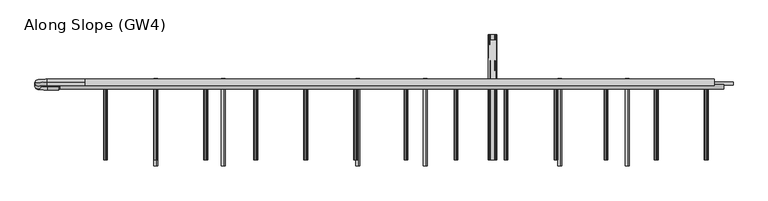
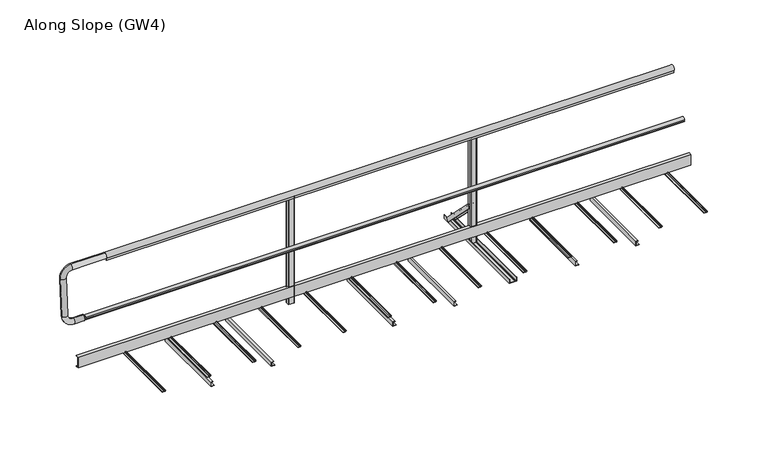
"""IFC4 building model written with IfcOpenShell, lengths in millimetres: proxy geometry, Along Slope (GW4)."""

from ifc_helpers import new_model, si_unit, point, frame, frame_2d, origin, place, context, project, spatial, polyline, circle_curve, ellipse_curve, trimmed, segment, composite_curve, outline, extrude, source, transform, mapped, element, save
from ifc_brep_helpers import plane_surface, cylinder_surface, revolved_surface, extruded_surface, advanced_brep


def along_slope_gw4_6340df57(model_context):
    return source(origin(), model_context, "Body", "SolidModel", [
        extrude(outline(polyline([(622.0, 63.0), (597.0, 63.0), (597.0, 163.0), (622.0, 163.0), (622.0, 160.0), (600.0, 160.0), (600.0, 66.0), (622.0, 66.0), (622.0, 63.0)])), frame((0.0, 0.0, 0.0), z_axis=(1.0, 0.0, 0.0), x_axis=(0.0, 1.0, 0.0)), (0.0, 0.0, 1.0), 5430.0),
        extrude(outline(polyline([(2e-07, 4598.7777778), (2.0000002, 4598.7777778), (2.0000002, 4570.7777778), (38.0000002, 4570.7777778), (38.0000002, 4588.7777778), (40.0000002, 4588.7777778), (40.0000002, 4568.7777778), (2e-07, 4568.7777778), (2e-07, 4598.7777778)])), frame((0.0, -50.0, 0.0), z_axis=(0.0, 1.0, 0.0), x_axis=(0.0, 0.0, 1.0)), (0.0, 0.0, 1.0), 700.0),
        extrude(outline(polyline([(2e-07, 4060.5555556), (2.0000002, 4060.5555556), (2.0000002, 4032.5555556), (38.0000002, 4032.5555556), (38.0000002, 4050.5555556), (40.0000002, 4050.5555556), (40.0000002, 4030.5555556), (2e-07, 4030.5555556), (2e-07, 4060.5555556)])), frame((0.0, -50.0, 0.0), z_axis=(0.0, 1.0, 0.0), x_axis=(0.0, 0.0, 1.0)), (0.0, 0.0, 1.0), 700.0),
        extrude(outline(composite_curve([segment(trimmed(circle_curve(frame_2d((62.9683907, 5223.75)), 6.25), [point((67.8614305, 5219.8614704))], [point((60.2402402, 5218.1268608))], False, "CARTESIAN"), True, "CONTINUOUS"), segment(trimmed(circle_curve(frame_2d((59.3468026, 5216.2853478)), 2.0468026), [point((60.2402402, 5218.1268608))], [point((57.3, 5216.2853478))], True, "CARTESIAN"), True, "CONTINUOUS"), segment(polyline([(57.3, 5216.2853478), (57.3, 5201.5)]), True, "CONTINUOUS"), segment(trimmed(circle_curve(frame_2d((55.8, 5201.5)), 1.5), [point((57.3, 5201.5))], [point((55.8, 5200.0))], False, "CARTESIAN"), True, "CONTINUOUS"), segment(polyline([(55.8, 5200.0), (55.0, 5200.0), (55.0, 5221.9783691)]), True, "CONTINUOUS"), segment(trimmed(circle_curve(frame_2d((64.084859, 5221.098018)), 9.1274138), [point((55.0, 5221.9783691))], [point((60.5433217, 5229.510342))], False, "CARTESIAN"), True, "CONTINUOUS"), segment(trimmed(circle_curve(frame_2d((62.9683907, 5223.75)), 6.25), [point((60.5433217, 5229.510342))], [point((67.8614305, 5227.6385296))], False, "CARTESIAN"), True, "CONTINUOUS"), segment(trimmed(circle_curve(frame_2d((67.2653483, 5227.1648193)), 0.7613904), [point((67.8614305, 5227.6385296))], [point((66.7916381, 5226.5687372))], False, "CARTESIAN"), True, "CONTINUOUS"), segment(trimmed(circle_curve(frame_2d((62.9683907, 5223.75)), 4.75), [point((66.7916381, 5226.5687372))], [point((66.7916381, 5220.9312628))], True, "CARTESIAN"), True, "CONTINUOUS"), segment(trimmed(circle_curve(frame_2d((67.2653483, 5220.3351807)), 0.7613904), [point((66.7916381, 5220.9312628))], [point((67.8614305, 5219.8614704))], False, "CARTESIAN"), True, "CONTINUOUS")], self_intersect=False)), frame((0.0, 0.0, 0.0), z_axis=(0.0, 1.0, 0.0), x_axis=(0.0, 0.0, 1.0)), (0.0, 0.0, 1.0), 600.0),
        extrude(outline(composite_curve([segment(trimmed(circle_curve(frame_2d((62.9683907, 4823.75)), 6.25), [point((67.8614305, 4819.8614704))], [point((60.2402402, 4818.1268608))], False, "CARTESIAN"), True, "CONTINUOUS"), segment(trimmed(circle_curve(frame_2d((59.3468026, 4816.2853478)), 2.0468026), [point((60.2402402, 4818.1268608))], [point((57.3, 4816.2853478))], True, "CARTESIAN"), True, "CONTINUOUS"), segment(polyline([(57.3, 4816.2853478), (57.3, 4801.5)]), True, "CONTINUOUS"), segment(trimmed(circle_curve(frame_2d((55.8, 4801.5)), 1.5), [point((57.3, 4801.5))], [point((55.8, 4800.0))], False, "CARTESIAN"), True, "CONTINUOUS"), segment(polyline([(55.8, 4800.0), (55.0, 4800.0), (55.0, 4821.9783691)]), True, "CONTINUOUS"), segment(trimmed(circle_curve(frame_2d((64.084859, 4821.098018)), 9.1274138), [point((55.0, 4821.9783691))], [point((60.5433217, 4829.510342))], False, "CARTESIAN"), True, "CONTINUOUS"), segment(trimmed(circle_curve(frame_2d((62.9683907, 4823.75)), 6.25), [point((60.5433217, 4829.510342))], [point((67.8614305, 4827.6385296))], False, "CARTESIAN"), True, "CONTINUOUS"), segment(trimmed(circle_curve(frame_2d((67.2653483, 4827.1648193)), 0.7613904), [point((67.8614305, 4827.6385296))], [point((66.7916381, 4826.5687372))], False, "CARTESIAN"), True, "CONTINUOUS"), segment(trimmed(circle_curve(frame_2d((62.9683907, 4823.75)), 4.75), [point((66.7916381, 4826.5687372))], [point((66.7916381, 4820.9312628))], True, "CARTESIAN"), True, "CONTINUOUS"), segment(trimmed(circle_curve(frame_2d((67.2653483, 4820.3351807)), 0.7613904), [point((66.7916381, 4820.9312628))], [point((67.8614305, 4819.8614704))], False, "CARTESIAN"), True, "CONTINUOUS")], self_intersect=False)), frame((0.0, 0.0, 0.0), z_axis=(0.0, 1.0, 0.0), x_axis=(0.0, 0.0, 1.0)), (0.0, 0.0, 1.0), 600.0),
        extrude(outline(composite_curve([segment(trimmed(circle_curve(frame_2d((62.9683907, 4423.75)), 6.25), [point((67.8614305, 4419.8614704))], [point((60.2402402, 4418.1268608))], False, "CARTESIAN"), True, "CONTINUOUS"), segment(trimmed(circle_curve(frame_2d((59.3468026, 4416.2853478)), 2.0468026), [point((60.2402402, 4418.1268608))], [point((57.3, 4416.2853478))], True, "CARTESIAN"), True, "CONTINUOUS"), segment(polyline([(57.3, 4416.2853478), (57.3, 4401.5)]), True, "CONTINUOUS"), segment(trimmed(circle_curve(frame_2d((55.8, 4401.5)), 1.5), [point((57.3, 4401.5))], [point((55.8, 4400.0))], False, "CARTESIAN"), True, "CONTINUOUS"), segment(polyline([(55.8, 4400.0), (55.0, 4400.0), (55.0, 4421.9783691)]), True, "CONTINUOUS"), segment(trimmed(circle_curve(frame_2d((64.084859, 4421.098018)), 9.1274138), [point((55.0, 4421.9783691))], [point((60.5433217, 4429.510342))], False, "CARTESIAN"), True, "CONTINUOUS"), segment(trimmed(circle_curve(frame_2d((62.9683907, 4423.75)), 6.25), [point((60.5433217, 4429.510342))], [point((67.8614305, 4427.6385296))], False, "CARTESIAN"), True, "CONTINUOUS"), segment(trimmed(circle_curve(frame_2d((67.2653483, 4427.1648193)), 0.7613904), [point((67.8614305, 4427.6385296))], [point((66.7916381, 4426.5687372))], False, "CARTESIAN"), True, "CONTINUOUS"), segment(trimmed(circle_curve(frame_2d((62.9683907, 4423.75)), 4.75), [point((66.7916381, 4426.5687372))], [point((66.7916381, 4420.9312628))], True, "CARTESIAN"), True, "CONTINUOUS"), segment(trimmed(circle_curve(frame_2d((67.2653483, 4420.3351807)), 0.7613904), [point((66.7916381, 4420.9312628))], [point((67.8614305, 4419.8614704))], False, "CARTESIAN"), True, "CONTINUOUS")], self_intersect=False)), frame((0.0, 0.0, 0.0), z_axis=(0.0, 1.0, 0.0), x_axis=(0.0, 0.0, 1.0)), (0.0, 0.0, 1.0), 600.0),
        extrude(outline(composite_curve([segment(trimmed(circle_curve(frame_2d((62.9683907, 4023.75)), 6.25), [point((67.8614305, 4019.8614704))], [point((60.2402402, 4018.1268608))], False, "CARTESIAN"), True, "CONTINUOUS"), segment(trimmed(circle_curve(frame_2d((59.3468026, 4016.2853478)), 2.0468026), [point((60.2402402, 4018.1268608))], [point((57.3, 4016.2853478))], True, "CARTESIAN"), True, "CONTINUOUS"), segment(polyline([(57.3, 4016.2853478), (57.3, 4001.5)]), True, "CONTINUOUS"), segment(trimmed(circle_curve(frame_2d((55.8, 4001.5)), 1.5), [point((57.3, 4001.5))], [point((55.8, 4000.0))], False, "CARTESIAN"), True, "CONTINUOUS"), segment(polyline([(55.8, 4000.0), (55.0, 4000.0), (55.0, 4021.9783691)]), True, "CONTINUOUS"), segment(trimmed(circle_curve(frame_2d((64.084859, 4021.098018)), 9.1274138), [point((55.0, 4021.9783691))], [point((60.5433217, 4029.510342))], False, "CARTESIAN"), True, "CONTINUOUS"), segment(trimmed(circle_curve(frame_2d((62.9683907, 4023.75)), 6.25), [point((60.5433217, 4029.510342))], [point((67.8614305, 4027.6385296))], False, "CARTESIAN"), True, "CONTINUOUS"), segment(trimmed(circle_curve(frame_2d((67.2653483, 4027.1648193)), 0.7613904), [point((67.8614305, 4027.6385296))], [point((66.7916381, 4026.5687372))], False, "CARTESIAN"), True, "CONTINUOUS"), segment(trimmed(circle_curve(frame_2d((62.9683907, 4023.75)), 4.75), [point((66.7916381, 4026.5687372))], [point((66.7916381, 4020.9312628))], True, "CARTESIAN"), True, "CONTINUOUS"), segment(trimmed(circle_curve(frame_2d((67.2653483, 4020.3351807)), 0.7613904), [point((66.7916381, 4020.9312628))], [point((67.8614305, 4019.8614704))], False, "CARTESIAN"), True, "CONTINUOUS")], self_intersect=False)), frame((0.0, 0.0, 0.0), z_axis=(0.0, 1.0, 0.0), x_axis=(0.0, 0.0, 1.0)), (0.0, 0.0, 1.0), 600.0),
        extrude(outline(composite_curve([segment(trimmed(circle_curve(frame_2d((62.9683907, 3623.75)), 6.25), [point((67.8614305, 3619.8614704))], [point((60.2402402, 3618.1268608))], False, "CARTESIAN"), True, "CONTINUOUS"), segment(trimmed(circle_curve(frame_2d((59.3468026, 3616.2853478)), 2.0468026), [point((60.2402402, 3618.1268608))], [point((57.3, 3616.2853478))], True, "CARTESIAN"), True, "CONTINUOUS"), segment(polyline([(57.3, 3616.2853478), (57.3, 3601.5)]), True, "CONTINUOUS"), segment(trimmed(circle_curve(frame_2d((55.8, 3601.5)), 1.5), [point((57.3, 3601.5))], [point((55.8, 3600.0))], False, "CARTESIAN"), True, "CONTINUOUS"), segment(polyline([(55.8, 3600.0), (55.0, 3600.0), (55.0, 3621.9783691)]), True, "CONTINUOUS"), segment(trimmed(circle_curve(frame_2d((64.084859, 3621.098018)), 9.1274138), [point((55.0, 3621.9783691))], [point((60.5433217, 3629.510342))], False, "CARTESIAN"), True, "CONTINUOUS"), segment(trimmed(circle_curve(frame_2d((62.9683907, 3623.75)), 6.25), [point((60.5433217, 3629.510342))], [point((67.8614305, 3627.6385296))], False, "CARTESIAN"), True, "CONTINUOUS"), segment(trimmed(circle_curve(frame_2d((67.2653483, 3627.1648193)), 0.7613904), [point((67.8614305, 3627.6385296))], [point((66.7916381, 3626.5687372))], False, "CARTESIAN"), True, "CONTINUOUS"), segment(trimmed(circle_curve(frame_2d((62.9683907, 3623.75)), 4.75), [point((66.7916381, 3626.5687372))], [point((66.7916381, 3620.9312628))], True, "CARTESIAN"), True, "CONTINUOUS"), segment(trimmed(circle_curve(frame_2d((67.2653483, 3620.3351807)), 0.7613904), [point((66.7916381, 3620.9312628))], [point((67.8614305, 3619.8614704))], False, "CARTESIAN"), True, "CONTINUOUS")], self_intersect=False)), frame((0.0, 0.0, 0.0), z_axis=(0.0, 1.0, 0.0), x_axis=(0.0, 0.0, 1.0)), (0.0, 0.0, 1.0), 600.0),
        extrude(outline(composite_curve([segment(trimmed(circle_curve(frame_2d((62.9683907, 3223.75)), 6.25), [point((67.8614305, 3219.8614704))], [point((60.2402402, 3218.1268608))], False, "CARTESIAN"), True, "CONTINUOUS"), segment(trimmed(circle_curve(frame_2d((59.3468026, 3216.2853478)), 2.0468026), [point((60.2402402, 3218.1268608))], [point((57.3, 3216.2853478))], True, "CARTESIAN"), True, "CONTINUOUS"), segment(polyline([(57.3, 3216.2853478), (57.3, 3201.5)]), True, "CONTINUOUS"), segment(trimmed(circle_curve(frame_2d((55.8, 3201.5)), 1.5), [point((57.3, 3201.5))], [point((55.8, 3200.0))], False, "CARTESIAN"), True, "CONTINUOUS"), segment(polyline([(55.8, 3200.0), (55.0, 3200.0), (55.0, 3221.9783691)]), True, "CONTINUOUS"), segment(trimmed(circle_curve(frame_2d((64.084859, 3221.098018)), 9.1274138), [point((55.0, 3221.9783691))], [point((60.5433217, 3229.510342))], False, "CARTESIAN"), True, "CONTINUOUS"), segment(trimmed(circle_curve(frame_2d((62.9683907, 3223.75)), 6.25), [point((60.5433217, 3229.510342))], [point((67.8614305, 3227.6385296))], False, "CARTESIAN"), True, "CONTINUOUS"), segment(trimmed(circle_curve(frame_2d((67.2653483, 3227.1648193)), 0.7613904), [point((67.8614305, 3227.6385296))], [point((66.7916381, 3226.5687372))], False, "CARTESIAN"), True, "CONTINUOUS"), segment(trimmed(circle_curve(frame_2d((62.9683907, 3223.75)), 4.75), [point((66.7916381, 3226.5687372))], [point((66.7916381, 3220.9312628))], True, "CARTESIAN"), True, "CONTINUOUS"), segment(trimmed(circle_curve(frame_2d((67.2653483, 3220.3351807)), 0.7613904), [point((66.7916381, 3220.9312628))], [point((67.8614305, 3219.8614704))], False, "CARTESIAN"), True, "CONTINUOUS")], self_intersect=False)), frame((0.0, 0.0, 0.0), z_axis=(0.0, 1.0, 0.0), x_axis=(0.0, 0.0, 1.0)), (0.0, 0.0, 1.0), 600.0),
        extrude(outline(composite_curve([segment(trimmed(circle_curve(frame_2d((62.9683907, 2823.75)), 6.25), [point((67.8614305, 2819.8614704))], [point((60.2402402, 2818.1268608))], False, "CARTESIAN"), True, "CONTINUOUS"), segment(trimmed(circle_curve(frame_2d((59.3468026, 2816.2853478)), 2.0468026), [point((60.2402402, 2818.1268608))], [point((57.3, 2816.2853478))], True, "CARTESIAN"), True, "CONTINUOUS"), segment(polyline([(57.3, 2816.2853478), (57.3, 2801.5)]), True, "CONTINUOUS"), segment(trimmed(circle_curve(frame_2d((55.8, 2801.5)), 1.5), [point((57.3, 2801.5))], [point((55.8, 2800.0))], False, "CARTESIAN"), True, "CONTINUOUS"), segment(polyline([(55.8, 2800.0), (55.0, 2800.0), (55.0, 2821.9783691)]), True, "CONTINUOUS"), segment(trimmed(circle_curve(frame_2d((64.084859, 2821.098018)), 9.1274138), [point((55.0, 2821.9783691))], [point((60.5433217, 2829.510342))], False, "CARTESIAN"), True, "CONTINUOUS"), segment(trimmed(circle_curve(frame_2d((62.9683907, 2823.75)), 6.25), [point((60.5433217, 2829.510342))], [point((67.8614305, 2827.6385296))], False, "CARTESIAN"), True, "CONTINUOUS"), segment(trimmed(circle_curve(frame_2d((67.2653483, 2827.1648193)), 0.7613904), [point((67.8614305, 2827.6385296))], [point((66.7916381, 2826.5687372))], False, "CARTESIAN"), True, "CONTINUOUS"), segment(trimmed(circle_curve(frame_2d((62.9683907, 2823.75)), 4.75), [point((66.7916381, 2826.5687372))], [point((66.7916381, 2820.9312628))], True, "CARTESIAN"), True, "CONTINUOUS"), segment(trimmed(circle_curve(frame_2d((67.2653483, 2820.3351807)), 0.7613904), [point((66.7916381, 2820.9312628))], [point((67.8614305, 2819.8614704))], False, "CARTESIAN"), True, "CONTINUOUS")], self_intersect=False)), frame((0.0, 0.0, 0.0), z_axis=(0.0, 1.0, 0.0), x_axis=(0.0, 0.0, 1.0)), (0.0, 0.0, 1.0), 600.0),
        extrude(outline(composite_curve([segment(trimmed(circle_curve(frame_2d((62.9683907, 2423.75)), 6.25), [point((67.8614305, 2419.8614704))], [point((60.2402402, 2418.1268608))], False, "CARTESIAN"), True, "CONTINUOUS"), segment(trimmed(circle_curve(frame_2d((59.3468026, 2416.2853478)), 2.0468026), [point((60.2402402, 2418.1268608))], [point((57.3, 2416.2853478))], True, "CARTESIAN"), True, "CONTINUOUS"), segment(polyline([(57.3, 2416.2853478), (57.3, 2401.5)]), True, "CONTINUOUS"), segment(trimmed(circle_curve(frame_2d((55.8, 2401.5)), 1.5), [point((57.3, 2401.5))], [point((55.8, 2400.0))], False, "CARTESIAN"), True, "CONTINUOUS"), segment(polyline([(55.8, 2400.0), (55.0, 2400.0), (55.0, 2421.9783691)]), True, "CONTINUOUS"), segment(trimmed(circle_curve(frame_2d((64.084859, 2421.098018)), 9.1274138), [point((55.0, 2421.9783691))], [point((60.5433217, 2429.510342))], False, "CARTESIAN"), True, "CONTINUOUS"), segment(trimmed(circle_curve(frame_2d((62.9683907, 2423.75)), 6.25), [point((60.5433217, 2429.510342))], [point((67.8614305, 2427.6385296))], False, "CARTESIAN"), True, "CONTINUOUS"), segment(trimmed(circle_curve(frame_2d((67.2653483, 2427.1648193)), 0.7613904), [point((67.8614305, 2427.6385296))], [point((66.7916381, 2426.5687372))], False, "CARTESIAN"), True, "CONTINUOUS"), segment(trimmed(circle_curve(frame_2d((62.9683907, 2423.75)), 4.75), [point((66.7916381, 2426.5687372))], [point((66.7916381, 2420.9312628))], True, "CARTESIAN"), True, "CONTINUOUS"), segment(trimmed(circle_curve(frame_2d((67.2653483, 2420.3351807)), 0.7613904), [point((66.7916381, 2420.9312628))], [point((67.8614305, 2419.8614704))], False, "CARTESIAN"), True, "CONTINUOUS")], self_intersect=False)), frame((0.0, 0.0, 0.0), z_axis=(0.0, 1.0, 0.0), x_axis=(0.0, 0.0, 1.0)), (0.0, 0.0, 1.0), 600.0),
        extrude(outline(composite_curve([segment(trimmed(circle_curve(frame_2d((62.9683907, 2023.75)), 6.25), [point((67.8614305, 2019.8614704))], [point((60.2402402, 2018.1268608))], False, "CARTESIAN"), True, "CONTINUOUS"), segment(trimmed(circle_curve(frame_2d((59.3468026, 2016.2853478)), 2.0468026), [point((60.2402402, 2018.1268608))], [point((57.3, 2016.2853478))], True, "CARTESIAN"), True, "CONTINUOUS"), segment(polyline([(57.3, 2016.2853478), (57.3, 2001.5)]), True, "CONTINUOUS"), segment(trimmed(circle_curve(frame_2d((55.8, 2001.5)), 1.5), [point((57.3, 2001.5))], [point((55.8, 2000.0))], False, "CARTESIAN"), True, "CONTINUOUS"), segment(polyline([(55.8, 2000.0), (55.0, 2000.0), (55.0, 2021.9783691)]), True, "CONTINUOUS"), segment(trimmed(circle_curve(frame_2d((64.084859, 2021.098018)), 9.1274138), [point((55.0, 2021.9783691))], [point((60.5433217, 2029.510342))], False, "CARTESIAN"), True, "CONTINUOUS"), segment(trimmed(circle_curve(frame_2d((62.9683907, 2023.75)), 6.25), [point((60.5433217, 2029.510342))], [point((67.8614305, 2027.6385296))], False, "CARTESIAN"), True, "CONTINUOUS"), segment(trimmed(circle_curve(frame_2d((67.2653483, 2027.1648193)), 0.7613904), [point((67.8614305, 2027.6385296))], [point((66.7916381, 2026.5687372))], False, "CARTESIAN"), True, "CONTINUOUS"), segment(trimmed(circle_curve(frame_2d((62.9683907, 2023.75)), 4.75), [point((66.7916381, 2026.5687372))], [point((66.7916381, 2020.9312628))], True, "CARTESIAN"), True, "CONTINUOUS"), segment(trimmed(circle_curve(frame_2d((67.2653483, 2020.3351807)), 0.7613904), [point((66.7916381, 2020.9312628))], [point((67.8614305, 2019.8614704))], False, "CARTESIAN"), True, "CONTINUOUS")], self_intersect=False)), frame((0.0, 0.0, 0.0), z_axis=(0.0, 1.0, 0.0), x_axis=(0.0, 0.0, 1.0)), (0.0, 0.0, 1.0), 600.0),
        extrude(outline(composite_curve([segment(trimmed(circle_curve(frame_2d((62.9683907, 1623.75)), 6.25), [point((67.8614305, 1619.8614704))], [point((60.2402402, 1618.1268608))], False, "CARTESIAN"), True, "CONTINUOUS"), segment(trimmed(circle_curve(frame_2d((59.3468026, 1616.2853478)), 2.0468026), [point((60.2402402, 1618.1268608))], [point((57.3, 1616.2853478))], True, "CARTESIAN"), True, "CONTINUOUS"), segment(polyline([(57.3, 1616.2853478), (57.3, 1601.5)]), True, "CONTINUOUS"), segment(trimmed(circle_curve(frame_2d((55.8, 1601.5)), 1.5), [point((57.3, 1601.5))], [point((55.8, 1600.0))], False, "CARTESIAN"), True, "CONTINUOUS"), segment(polyline([(55.8, 1600.0), (55.0, 1600.0), (55.0, 1621.9783691)]), True, "CONTINUOUS"), segment(trimmed(circle_curve(frame_2d((64.084859, 1621.098018)), 9.1274138), [point((55.0, 1621.9783691))], [point((60.5433217, 1629.510342))], False, "CARTESIAN"), True, "CONTINUOUS"), segment(trimmed(circle_curve(frame_2d((62.9683907, 1623.75)), 6.25), [point((60.5433217, 1629.510342))], [point((67.8614305, 1627.6385296))], False, "CARTESIAN"), True, "CONTINUOUS"), segment(trimmed(circle_curve(frame_2d((67.2653483, 1627.1648193)), 0.7613904), [point((67.8614305, 1627.6385296))], [point((66.7916381, 1626.5687372))], False, "CARTESIAN"), True, "CONTINUOUS"), segment(trimmed(circle_curve(frame_2d((62.9683907, 1623.75)), 4.75), [point((66.7916381, 1626.5687372))], [point((66.7916381, 1620.9312628))], True, "CARTESIAN"), True, "CONTINUOUS"), segment(trimmed(circle_curve(frame_2d((67.2653483, 1620.3351807)), 0.7613904), [point((66.7916381, 1620.9312628))], [point((67.8614305, 1619.8614704))], False, "CARTESIAN"), True, "CONTINUOUS")], self_intersect=False)), frame((0.0, 0.0, 0.0), z_axis=(0.0, 1.0, 0.0), x_axis=(0.0, 0.0, 1.0)), (0.0, 0.0, 1.0), 600.0),
        extrude(outline(composite_curve([segment(trimmed(circle_curve(frame_2d((62.9683907, 1223.75)), 6.25), [point((67.8614305, 1219.8614704))], [point((60.2402402, 1218.1268608))], False, "CARTESIAN"), True, "CONTINUOUS"), segment(trimmed(circle_curve(frame_2d((59.3468026, 1216.2853478)), 2.0468026), [point((60.2402402, 1218.1268608))], [point((57.3, 1216.2853478))], True, "CARTESIAN"), True, "CONTINUOUS"), segment(polyline([(57.3, 1216.2853478), (57.3, 1201.5)]), True, "CONTINUOUS"), segment(trimmed(circle_curve(frame_2d((55.8, 1201.5)), 1.5), [point((57.3, 1201.5))], [point((55.8, 1200.0))], False, "CARTESIAN"), True, "CONTINUOUS"), segment(polyline([(55.8, 1200.0), (55.0, 1200.0), (55.0, 1221.9783691)]), True, "CONTINUOUS"), segment(trimmed(circle_curve(frame_2d((64.084859, 1221.098018)), 9.1274138), [point((55.0, 1221.9783691))], [point((60.5433217, 1229.510342))], False, "CARTESIAN"), True, "CONTINUOUS"), segment(trimmed(circle_curve(frame_2d((62.9683907, 1223.75)), 6.25), [point((60.5433217, 1229.510342))], [point((67.8614305, 1227.6385296))], False, "CARTESIAN"), True, "CONTINUOUS"), segment(trimmed(circle_curve(frame_2d((67.2653483, 1227.1648193)), 0.7613904), [point((67.8614305, 1227.6385296))], [point((66.7916381, 1226.5687372))], False, "CARTESIAN"), True, "CONTINUOUS"), segment(trimmed(circle_curve(frame_2d((62.9683907, 1223.75)), 4.75), [point((66.7916381, 1226.5687372))], [point((66.7916381, 1220.9312628))], True, "CARTESIAN"), True, "CONTINUOUS"), segment(trimmed(circle_curve(frame_2d((67.2653483, 1220.3351807)), 0.7613904), [point((66.7916381, 1220.9312628))], [point((67.8614305, 1219.8614704))], False, "CARTESIAN"), True, "CONTINUOUS")], self_intersect=False)), frame((0.0, 0.0, 0.0), z_axis=(0.0, 1.0, 0.0), x_axis=(0.0, 0.0, 1.0)), (0.0, 0.0, 1.0), 600.0),
        advanced_brep(
        [(50.0, 584.3, 508.0), (50.0, 584.3, 548.0), (40.0, 584.3, 503.0), (40.0, 584.3, 553.0)],
        [
            (0, 1, circle_curve(frame((50.0, 584.3, 528.0), z_axis=(1.0, 0.0, 0.0), x_axis=(0.0, 0.0, 1.0)), 20.0)),
            (1, 0, circle_curve(frame((50.0, 584.3, 528.0), z_axis=(1.0, 0.0, 0.0), x_axis=(0.0, 0.0, -1.0)), 20.0)),
            (2, 3, circle_curve(frame((40.0, 584.3, 528.0), z_axis=(-1.0, 0.0, 0.0), x_axis=(0.0, 0.0, -1.0)), 25.0)),
            (3, 2, circle_curve(frame((40.0, 584.3, 528.0), z_axis=(-1.0, 0.0, 0.0), x_axis=(0.0, 0.0, 1.0)), 25.0)),
            (2, 0),
            (1, 3),
        ],
        [
            plane_surface(frame((50.0, 584.3, 528.0), z_axis=(1.0, 0.0, 0.0), x_axis=(0.0, -1.0, 0.0))),
            plane_surface(frame((40.0, 584.3, 528.0), z_axis=(-1.0, 0.0, 0.0), x_axis=(0.0, -1.0, 0.0))),
            revolved_surface(polyline([(50.0, 584.3, 508.0), (40.0, 584.3, 503.0)]), (90.0, 584.3, 528.0), (-1.0, 0.0, 0.0)),
            revolved_surface(polyline([(50.0, 584.3, 548.0), (40.0, 584.3, 553.0)]), (90.0, 584.3, 528.0), (-1.0, 0.0, 0.0)),
        ],
        [
            (0, [[1, 2]]),
            (1, [[3, 4]]),
            (2, [[5, -2, 6, -3]]),
            (3, [[-6, -1, -5, -4]]),
        ],
    ),
        advanced_brep(
        [(250.0, 620.7768095, 1039.936779), (250.0, 617.2231905, 990.063221), (-50.0, 617.2231905, 990.063221), (-50.0, 620.7768095, 1039.936779), (-100.0, 613.6695715, 940.1896629), (-150.0, 613.6695715, 940.1896629), (-100.0, 589.6399996, 602.9446635), (-150.0, 589.6399996, 602.9446635), (-50.0, 586.0863806, 553.0711054), (-50.0, 582.5327616, 503.1975474), (40.0, 582.5327616, 503.1975474), (40.0, 586.0863806, 553.0711054)],
        [
            (0, 1, circle_curve(frame((250.0, 619.0, 1015.0), z_axis=(1.0, 0.0, 0.0), x_axis=(0.0, -0.0710723804551099, -0.9974711608545103)), 25.0)),
            (1, 0, circle_curve(frame((250.0, 619.0, 1015.0), z_axis=(1.0, 0.0, 0.0), x_axis=(0.0, -0.0710723804551099, -0.9974711608545103)), 25.0)),
            (1, 2),
            (2, 3, circle_curve(frame((-50.0, 619.0, 1015.0), z_axis=(1.0, 0.0, 0.0), x_axis=(0.0, -0.0710723804551099, -0.9974711608545103)), 25.0)),
            (3, 0),
            (3, 2, circle_curve(frame((-50.0, 619.0, 1015.0), z_axis=(1.0, 0.0, 0.0), x_axis=(0.0, -0.0710723804551099, -0.9974711608545103)), 25.0)),
            (4, 5, circle_curve(frame((-125.0, 613.6695715, 940.1896629), z_axis=(0.0, 0.0710723804551099, 0.9974711608545103), x_axis=(1.0000000000000002, 0.0, 0.0)), 25.0)),
            (5, 3, circle_curve(frame((-50.0, 613.6695715, 940.1896629), z_axis=(0.0, 0.9974711608545103, -0.0710723804551099), x_axis=(0.0, 0.0710723804551099, 0.9974711608545103)), 100.0)),
            (2, 4, circle_curve(frame((-50.0, 613.6695715, 940.1896629), z_axis=(0.0, -0.9974711608545103, 0.0710723804551099), x_axis=(0.0, 0.0710723804551099, 0.9974711608545103)), 50.0)),
            (5, 4, circle_curve(frame((-125.0, 613.6695715, 940.1896629), z_axis=(0.0, 0.0710723804551099, 0.9974711608545103), x_axis=(1.0000000000000002, 0.0, 0.0)), 25.0)),
            (4, 6),
            (6, 7, circle_curve(frame((-125.0, 589.6399996, 602.9446635), z_axis=(0.0, 0.07107238045510993, 0.9974711608545104), x_axis=(1.0, 0.0, 0.0)), 25.0)),
            (7, 5),
            (7, 6, circle_curve(frame((-125.0, 589.6399996, 602.9446635), z_axis=(0.0, 0.07107238045510993, 0.9974711608545104), x_axis=(1.0, 0.0, 0.0)), 25.0)),
            (8, 9, circle_curve(frame((-50.0, 584.3095711, 528.1343264), z_axis=(-1.0, 0.0, 0.0), x_axis=(0.0, 0.07107238045510991, 0.9974711608545103)), 25.0)),
            (9, 7, circle_curve(frame((-50.0, 589.6399996, 602.9446635), z_axis=(0.0, 0.9974711608545103, -0.0710723804551099), x_axis=(-1.0, 0.0, 0.0)), 100.0)),
            (6, 8, circle_curve(frame((-50.0, 589.6399996, 602.9446635), z_axis=(0.0, -0.9974711608545103, 0.0710723804551099), x_axis=(-1.0, 0.0, 0.0)), 50.0)),
            (9, 8, circle_curve(frame((-50.0, 584.3095711, 528.1343264), z_axis=(-1.0, 0.0, 0.0), x_axis=(0.0, 0.07107238045510991, 0.9974711608545103)), 25.0)),
            (10, 11, circle_curve(frame((40.0, 584.3095711, 528.1343264), z_axis=(1.0, 0.0, 0.0), x_axis=(0.0, 0.0710723804551099, 0.9974711608545103)), 25.0)),
            (11, 10, circle_curve(frame((40.0, 584.3095711, 528.1343264), z_axis=(1.0, 0.0, 0.0), x_axis=(0.0, 0.0710723804551099, 0.9974711608545103)), 25.0)),
            (8, 11),
            (10, 9),
        ],
        [
            plane_surface(frame((250.0, 620.7768095, 1039.936779), z_axis=(1.0000000000000002, 0.0, 0.0), x_axis=(0.0, 0.9974711608545103, -0.0710723804551099))),
            cylinder_surface(frame((250.0, 619.0, 1015.0), z_axis=(1.0000000000000002, 0.0, 0.0), x_axis=(0.0, -0.0710723804551099, -0.9974711608545103)), 25.0),
            revolved_surface(trimmed(ellipse_curve(frame((-50.0, 619.0, 1015.0), z_axis=(-1.0000000000000002, 0.0, 0.0), x_axis=(0.0, -0.0710723804551099, -0.9974711608545103)), 25.0, 25.0), [point((-50.0, 620.7768095, 1039.936779))], [point((-50.0, 617.2231905, 990.063221))], True, "CARTESIAN"), (-50.0, 613.6695715, 940.1896629), (0.0, 0.9974711608545103, -0.0710723804551099)),
            revolved_surface(trimmed(ellipse_curve(frame((-50.0, 619.0, 1015.0), z_axis=(-1.0000000000000002, 0.0, 0.0), x_axis=(0.0, -0.0710723804551099, -0.9974711608545103)), 25.0, 25.0), [point((-50.0, 617.2231905, 990.063221))], [point((-50.0, 620.7768095, 1039.936779))], True, "CARTESIAN"), (-50.0, 613.6695715, 940.1896629), (0.0, 0.9974711608545103, -0.0710723804551099)),
            cylinder_surface(frame((-125.0, 613.6695715, 940.1896629), z_axis=(0.0, 0.07107238045510991, 0.9974711608545102), x_axis=(1.0, 0.0, 0.0)), 25.0),
            revolved_surface(trimmed(ellipse_curve(frame((-125.0, 589.6399996, 602.9446635), z_axis=(0.0, -0.07107238045510993, -0.9974711608545103), x_axis=(1.0, 0.0, 0.0)), 25.0, 25.0), [point((-150.0, 589.6399996, 602.9446635))], [point((-100.0, 589.6399996, 602.9446635))], True, "CARTESIAN"), (-50.0, 589.6399996, 602.9446635), (0.0, 0.9974711608545103, -0.0710723804551099)),
            revolved_surface(trimmed(ellipse_curve(frame((-125.0, 589.6399996, 602.9446635), z_axis=(0.0, -0.07107238045510993, -0.9974711608545103), x_axis=(1.0, 0.0, 0.0)), 25.0, 25.0), [point((-100.0, 589.6399996, 602.9446635))], [point((-150.0, 589.6399996, 602.9446635))], True, "CARTESIAN"), (-50.0, 589.6399996, 602.9446635), (0.0, 0.9974711608545103, -0.0710723804551099)),
            plane_surface(frame((40.0, 582.5327616, 503.1975474), z_axis=(1.0000000000000002, 0.0, 0.0), x_axis=(0.0, 0.9974711608545103, -0.0710723804551099))),
            cylinder_surface(frame((-50.0, 584.3095711, 528.1343264), z_axis=(-1.0, 0.0, 0.0), x_axis=(0.0, 0.0710723804551099, 0.9974711608545103)), 25.0),
        ],
        [
            (0, [[1, 2]]),
            (1, [[3, 4, 5, -2]]),
            (1, [[-5, 6, -3, -1]]),
            (2, [[7, 8, -4, 9]]),
            (3, [[10, -9, -6, -8]]),
            (4, [[11, 12, 13, -7]]),
            (4, [[-13, 14, -11, -10]]),
            (5, [[15, 16, -12, 17]]),
            (6, [[18, -17, -14, -16]]),
            (7, [[19, 20]]),
            (8, [[21, -19, 22, -15]]),
            (8, [[-22, -20, -21, -18]]),
        ],
    ),
        extrude(outline(composite_curve([segment(polyline([(565.7, 520.617273), (569.7, 520.617273), (569.7, 535.382727), (565.7, 535.382727)]), True, "CONTINUOUS"), segment(trimmed(circle_curve(frame_2d((584.287505, 528.0)), 20.0), [point((565.7, 535.382727))], [point((600.0, 540.3740657))], False, "CARTESIAN"), True, "CONTINUOUS"), segment(polyline([(600.0, 540.3740657), (600.0, 515.6259343)]), True, "CONTINUOUS"), segment(trimmed(circle_curve(frame_2d((584.287505, 528.0)), 20.0), [point((600.0, 515.6259343))], [point((565.7, 520.617273))], False, "CARTESIAN"), True, "CONTINUOUS")], self_intersect=False)), frame((50.0, 0.0, 0.0), z_axis=(1.0, 0.0, 0.0), x_axis=(0.0, 1.0, 0.0)), (0.0, 0.0, 1.0), 5305.0),
        extrude(outline(composite_curve([segment(polyline([(640.0, 1001.43534), (640.0, 983.0), (639.0, 983.0), (639.0, 998.0), (599.0, 998.0), (599.0, 983.0), (598.0, 983.0), (598.0, 1001.43534)]), True, "CONTINUOUS"), segment(trimmed(circle_curve(frame_2d((619.0, 1015.0)), 25.0), [point((598.0, 1001.43534))], [point((640.0, 1001.43534))], False, "CARTESIAN"), True, "CONTINUOUS")], self_intersect=False)), frame((250.0, 0.0, 0.0), z_axis=(1.0, 0.0, 0.0), x_axis=(0.0, 1.0, 0.0)), (0.0, 0.0, 1.0), 5030.0),
        extrude(outline(polyline([(2e-07, 2984.1111111), (2.0000002, 2984.1111111), (2.0000002, 2956.1111111), (38.0000002, 2956.1111111), (38.0000002, 2974.1111111), (40.0000002, 2974.1111111), (40.0000002, 2954.1111111), (2e-07, 2954.1111111), (2e-07, 2984.1111111)])), frame((0.0, -50.0, 0.0), z_axis=(0.0, 1.0, 0.0), x_axis=(0.0, 0.0, 1.0)), (0.0, 0.0, 1.0), 700.0),
        extrude(outline(polyline([(2e-07, 2445.8888889), (2.0000002, 2445.8888889), (2.0000002, 2417.8888889), (38.0000002, 2417.8888889), (38.0000002, 2435.8888889), (40.0000002, 2435.8888889), (40.0000002, 2415.8888889), (2e-07, 2415.8888889), (2e-07, 2445.8888889)])), frame((0.0, -50.0, 0.0), z_axis=(0.0, 1.0, 0.0), x_axis=(0.0, 0.0, 1.0)), (0.0, 0.0, 1.0), 700.0),
        extrude(outline(polyline([(2e-07, 1369.4444444), (2.0000002, 1369.4444444), (2.0000002, 1341.4444444), (38.0000002, 1341.4444444), (38.0000002, 1359.4444444), (40.0000002, 1359.4444444), (40.0000002, 1339.4444444), (2e-07, 1339.4444444), (2e-07, 1369.4444444)])), frame((0.0, -50.0, 0.0), z_axis=(0.0, 1.0, 0.0), x_axis=(0.0, 0.0, 1.0)), (0.0, 0.0, 1.0), 700.0),
        extrude(outline(polyline([(2e-07, 831.2222222), (2.0000002, 831.2222222), (2.0000002, 803.2222222), (38.0000002, 803.2222222), (38.0000002, 821.2222222), (40.0000002, 821.2222222), (40.0000002, 801.2222222), (2e-07, 801.2222222), (2e-07, 831.2222222)])), frame((0.0, -50.0, 0.0), z_axis=(0.0, 1.0, 0.0), x_axis=(0.0, 0.0, 1.0)), (0.0, 0.0, 1.0), 700.0),
        extrude(outline(composite_curve([segment(trimmed(circle_curve(frame_2d((62.9683907, 823.75)), 6.25), [point((67.8614305, 819.8614704))], [point((60.2402402, 818.1268608))], False, "CARTESIAN"), True, "CONTINUOUS"), segment(trimmed(circle_curve(frame_2d((59.3468026, 816.2853478)), 2.0468026), [point((60.2402402, 818.1268608))], [point((57.3, 816.2853478))], True, "CARTESIAN"), True, "CONTINUOUS"), segment(polyline([(57.3, 816.2853478), (57.3, 801.5)]), True, "CONTINUOUS"), segment(trimmed(circle_curve(frame_2d((55.8, 801.5)), 1.5), [point((57.3, 801.5))], [point((55.8, 800.0))], False, "CARTESIAN"), True, "CONTINUOUS"), segment(polyline([(55.8, 800.0), (55.0, 800.0), (55.0, 821.9783691)]), True, "CONTINUOUS"), segment(trimmed(circle_curve(frame_2d((64.084859, 821.098018)), 9.1274138), [point((55.0, 821.9783691))], [point((60.5433217, 829.510342))], False, "CARTESIAN"), True, "CONTINUOUS"), segment(trimmed(circle_curve(frame_2d((62.9683907, 823.75)), 6.25), [point((60.5433217, 829.510342))], [point((67.8614305, 827.6385296))], False, "CARTESIAN"), True, "CONTINUOUS"), segment(trimmed(circle_curve(frame_2d((67.2653483, 827.1648193)), 0.7613904), [point((67.8614305, 827.6385296))], [point((66.7916381, 826.5687372))], False, "CARTESIAN"), True, "CONTINUOUS"), segment(trimmed(circle_curve(frame_2d((62.9683907, 823.75)), 4.75), [point((66.7916381, 826.5687372))], [point((66.7916381, 820.9312628))], True, "CARTESIAN"), True, "CONTINUOUS"), segment(trimmed(circle_curve(frame_2d((67.2653483, 820.3351807)), 0.7613904), [point((66.7916381, 820.9312628))], [point((67.8614305, 819.8614704))], False, "CARTESIAN"), True, "CONTINUOUS")], self_intersect=False)), frame((0.0, 0.0, 0.0), z_axis=(0.0, 1.0, 0.0), x_axis=(0.0, 0.0, 1.0)), (0.0, 0.0, 1.0), 600.0),
        extrude(outline(composite_curve([segment(trimmed(circle_curve(frame_2d((62.9683907, 423.75)), 6.25), [point((67.8614305, 419.8614704))], [point((60.2402402, 418.1268608))], False, "CARTESIAN"), True, "CONTINUOUS"), segment(trimmed(circle_curve(frame_2d((59.3468026, 416.2853478)), 2.0468026), [point((60.2402402, 418.1268608))], [point((57.3, 416.2853478))], True, "CARTESIAN"), True, "CONTINUOUS"), segment(polyline([(57.3, 416.2853478), (57.3, 401.5)]), True, "CONTINUOUS"), segment(trimmed(circle_curve(frame_2d((55.8, 401.5)), 1.5), [point((57.3, 401.5))], [point((55.8, 400.0))], False, "CARTESIAN"), True, "CONTINUOUS"), segment(polyline([(55.8, 400.0), (55.0, 400.0), (55.0, 421.9783691)]), True, "CONTINUOUS"), segment(trimmed(circle_curve(frame_2d((64.084859, 421.098018)), 9.1274138), [point((55.0, 421.9783691))], [point((60.5433217, 429.510342))], False, "CARTESIAN"), True, "CONTINUOUS"), segment(trimmed(circle_curve(frame_2d((62.9683907, 423.75)), 6.25), [point((60.5433217, 429.510342))], [point((67.8614305, 427.6385296))], False, "CARTESIAN"), True, "CONTINUOUS"), segment(trimmed(circle_curve(frame_2d((67.2653483, 427.1648193)), 0.7613904), [point((67.8614305, 427.6385296))], [point((66.7916381, 426.5687372))], False, "CARTESIAN"), True, "CONTINUOUS"), segment(trimmed(circle_curve(frame_2d((62.9683907, 423.75)), 4.75), [point((66.7916381, 426.5687372))], [point((66.7916381, 420.9312628))], True, "CARTESIAN"), True, "CONTINUOUS"), segment(trimmed(circle_curve(frame_2d((67.2653483, 420.3351807)), 0.7613904), [point((66.7916381, 420.9312628))], [point((67.8614305, 419.8614704))], False, "CARTESIAN"), True, "CONTINUOUS")], self_intersect=False)), frame((0.0, 0.0, 0.0), z_axis=(0.0, 1.0, 0.0), x_axis=(0.0, 0.0, 1.0)), (0.0, 0.0, 1.0), 600.0),
        extrude(outline(composite_curve([segment(polyline([(3530.3333333, 600.0), (3484.3333333, 600.0)]), True, "CONTINUOUS"), segment(trimmed(circle_curve(frame_2d((3484.3333333, 605.0)), 5.0), [point((3484.3333333, 600.0))], [point((3479.3333333, 605.0))], False, "CARTESIAN"), True, "CONTINUOUS"), segment(polyline([(3479.3333333, 605.0), (3479.3333333, 633.0)]), True, "CONTINUOUS"), segment(trimmed(circle_curve(frame_2d((3484.3333333, 633.0)), 5.0), [point((3479.3333333, 633.0))], [point((3484.3333333, 638.0))], False, "CARTESIAN"), True, "CONTINUOUS"), segment(polyline([(3484.3333333, 638.0), (3530.3333333, 638.0)]), True, "CONTINUOUS"), segment(trimmed(circle_curve(frame_2d((3530.3333333, 633.0)), 5.0), [point((3530.3333333, 638.0))], [point((3535.3333333, 633.0))], False, "CARTESIAN"), True, "CONTINUOUS"), segment(polyline([(3535.3333333, 633.0), (3535.3333333, 605.0)]), True, "CONTINUOUS"), segment(trimmed(circle_curve(frame_2d((3530.3333333, 605.0)), 5.0), [point((3535.3333333, 605.0))], [point((3530.3333333, 600.0))], False, "CARTESIAN"), True, "CONTINUOUS")], self_intersect=False)), frame((0.0, 0.0, 2e-07), z_axis=(0.0, 0.0, 1.0), x_axis=(1.0, 0.0, 0.0)), (0.0, 0.0, 1.0), 998.0),
        advanced_brep(
        [(3471.8333333, 956.2087394, 38.0000002), (3536.8333333, 956.2087394, 38.0000002), (3536.8333333, 930.3993419, 12.1906027), (3533.8333333, 930.3993419, 12.1906027), (3533.8333333, 954.0874191, 35.8786799), (3523.8333333, 954.0874191, 35.8786799), (3523.8333333, 952.3196521, 34.110913), (3522.8333333, 952.3196521, 34.110913), (3522.8333333, 954.0874191, 35.8786799), (3485.8333333, 954.0874191, 35.8786799), (3485.8333333, 952.3196521, 34.110913), (3484.8333333, 952.3196521, 34.110913), (3484.8333333, 954.0874191, 35.8786799), (3474.8333333, 954.0874191, 35.8786799), (3474.8333333, 930.3993419, 12.1906027), (3471.8333333, 930.3993419, 12.1906027), (3474.8333333, 638.0106879, 356.1980518), (3474.8333333, 612.2012904, 330.3886543), (3477.8333333, 612.2012904, 330.3886543), (3477.8333333, 635.8893676, 354.0767314), (3487.8333333, 635.8893676, 354.0767314), (3487.8333333, 634.1216006, 352.3089645), (3488.8333333, 634.1216006, 352.3089645), (3488.8333333, 635.8893676, 354.0767314), (3525.8333333, 635.8893676, 354.0767314), (3525.8333333, 634.1216006, 352.3089645), (3526.8333333, 634.1216006, 352.3089645), (3526.8333333, 635.8893676, 354.0767314), (3536.8333333, 635.8893676, 354.0767314), (3536.8333333, 612.2012904, 330.3886543), (3539.8333333, 612.2012904, 330.3886543), (3539.8333333, 638.0106879, 356.1980518)],
        [
            (0, 1),
            (1, 2),
            (2, 3, circle_curve(frame((3535.3333333, 930.3993419, 12.1906027), z_axis=(0.0, 0.7071067811865434, -0.7071067811865518), x_axis=(0.0, -0.7071067811865518, -0.7071067811865434)), 1.5)),
            (3, 4),
            (4, 5),
            (5, 6),
            (6, 7, circle_curve(frame((3523.3333333, 952.3196521, 34.110913), z_axis=(0.0, 0.7071067811865434, -0.7071067811865518), x_axis=(0.0, -0.7071067811865518, -0.7071067811865434)), 0.5)),
            (7, 8),
            (8, 9),
            (9, 10),
            (10, 11, circle_curve(frame((3485.3333333, 952.3196521, 34.110913), z_axis=(0.0, 0.7071067811865434, -0.7071067811865518), x_axis=(0.0, -0.7071067811865518, -0.7071067811865434)), 0.5)),
            (11, 12),
            (12, 13),
            (13, 14),
            (14, 15, circle_curve(frame((3473.3333333, 930.3993419, 12.1906027), z_axis=(0.0, 0.7071067811865434, -0.7071067811865518), x_axis=(0.0, -0.7071067811865518, -0.7071067811865434)), 1.5)),
            (15, 0),
            (16, 17),
            (17, 18, circle_curve(frame((3476.3333333, 612.2012904, 330.3886543), z_axis=(0.0, -0.7071067811865434, 0.7071067811865518), x_axis=(0.0, -0.7071067811865518, -0.7071067811865434)), 1.5)),
            (18, 19),
            (19, 20),
            (20, 21),
            (21, 22, circle_curve(frame((3488.3333333, 634.1216006, 352.3089645), z_axis=(0.0, -0.7071067811865434, 0.7071067811865518), x_axis=(0.0, -0.7071067811865518, -0.7071067811865434)), 0.5)),
            (22, 23),
            (23, 24),
            (24, 25),
            (25, 26, circle_curve(frame((3526.3333333, 634.1216006, 352.3089645), z_axis=(0.0, -0.7071067811865434, 0.7071067811865518), x_axis=(0.0, -0.7071067811865518, -0.7071067811865434)), 0.5)),
            (26, 27),
            (27, 28),
            (28, 29),
            (29, 30, circle_curve(frame((3538.3333333, 612.2012904, 330.3886543), z_axis=(0.0, -0.7071067811865434, 0.7071067811865518), x_axis=(0.0, -0.7071067811865518, -0.7071067811865434)), 1.5)),
            (30, 31),
            (31, 16),
            (16, 0),
            (15, 17),
            (14, 18),
            (13, 19),
            (12, 20),
            (11, 21),
            (10, 22),
            (9, 23),
            (8, 24),
            (7, 25),
            (6, 26),
            (5, 27),
            (4, 28),
            (3, 29),
            (2, 30),
            (1, 31),
        ],
        [
            plane_surface(frame((3504.3333333, 947.9886231, 29.7798839), z_axis=(0.0, 0.7071067811865431, -0.7071067811865519), x_axis=(0.0, -0.7071067811865519, -0.7071067811865431))),
            plane_surface(frame((3507.3333333, 629.7905716, 347.9779354), z_axis=(0.0, -0.7071067811865432, 0.7071067811865518), x_axis=(0.0, -0.7071067811865518, -0.7071067811865432))),
            plane_surface(frame((3474.8333333, 625.1059891, 343.293353), z_axis=(-0.9999777785184911, -0.004713940454842056, 0.00471394045484199), x_axis=(0.0, -0.7071067811865519, -0.7071067811865431))),
            extruded_surface(trimmed(circle_curve(frame((3473.3333333, 930.3993419, 12.1906027), z_axis=(0.0, -0.7071067811865434, 0.7071067811865518), x_axis=(0.0, -0.7071067811865518, -0.7071067811865434)), 1.5), [point((3471.8333333, 930.3993419, 12.1906027))], [point((3474.8333333, 930.3993419, 12.1906027))], True, "CARTESIAN"), (3.0, -318.1980515, 318.1980516), 450.0099999115941),
            plane_surface(frame((3477.8333333, 624.045329, 342.2326929), z_axis=(0.9999777785184913, 0.004713940454842056, -0.004713940454841989), x_axis=(0.0, 0.707106781186552, 0.7071067811865432))),
            plane_surface(frame((3482.8333333, 635.8893676, 354.0767314), z_axis=(0.0, -0.7071067811865522, -0.7071067811865428), x_axis=(1.0, 0.0, 0.0))),
            plane_surface(frame((3487.8333333, 635.0054841, 353.192848), z_axis=(-0.9999777785184911, -0.004713940454842032, 0.004713940454842015), x_axis=(0.0, -0.7071067811865557, -0.7071067811865394))),
            extruded_surface(trimmed(circle_curve(frame((3485.3333333, 952.3196521, 34.110913), z_axis=(0.0, -0.7071067811865434, 0.7071067811865518), x_axis=(0.0, -0.7071067811865518, -0.7071067811865434)), 0.5), [point((3484.8333333, 952.3196521, 34.110913))], [point((3485.8333333, 952.3196521, 34.110913))], True, "CARTESIAN"), (3.0, -318.1980515, 318.1980515), 450.00999984088503),
            plane_surface(frame((3488.8333333, 635.0054841, 353.192848), z_axis=(0.9999777785184911, 0.004713940454842046, -0.004713940454842029), x_axis=(0.0, 0.7071067811865557, 0.7071067811865394))),
            plane_surface(frame((3507.3333333, 635.8893676, 354.0767314), z_axis=(0.0, -0.7071067811865522, -0.7071067811865428), x_axis=(1.0, 0.0, 0.0))),
            plane_surface(frame((3525.8333333, 635.0054841, 353.192848), z_axis=(-0.9999777785184911, -0.004713940454842039, 0.004713940454842022), x_axis=(0.0, -0.7071067811865557, -0.7071067811865394))),
            extruded_surface(trimmed(circle_curve(frame((3523.3333333, 952.3196521, 34.110913), z_axis=(0.0, -0.7071067811865434, 0.7071067811865518), x_axis=(0.0, -0.7071067811865518, -0.7071067811865434)), 0.5), [point((3522.8333333, 952.3196521, 34.110913))], [point((3523.8333333, 952.3196521, 34.110913))], True, "CARTESIAN"), (3.0, -318.1980515, 318.1980515), 450.00999984088503),
            plane_surface(frame((3526.8333333, 635.0054841, 353.192848), z_axis=(0.9999777785184911, 0.004713940454842066, -0.004713940454841993), x_axis=(0.0, 0.7071067811865515, 0.7071067811865436))),
            plane_surface(frame((3531.8333333, 635.8893676, 354.0767314), z_axis=(0.0, -0.707106781186552, -0.707106781186543), x_axis=(1.0, 0.0, 0.0))),
            plane_surface(frame((3536.8333333, 624.045329, 342.2326929), z_axis=(-0.9999777785184913, -0.004713940454842063, 0.004713940454841996), x_axis=(0.0, -0.707106781186552, -0.7071067811865432))),
            extruded_surface(trimmed(circle_curve(frame((3535.3333333, 930.3993419, 12.1906027), z_axis=(0.0, -0.7071067811865434, 0.7071067811865518), x_axis=(0.0, -0.7071067811865518, -0.7071067811865434)), 1.5), [point((3533.8333333, 930.3993419, 12.1906027))], [point((3536.8333333, 930.3993419, 12.1906027))], True, "CARTESIAN"), (3.0, -318.1980515, 318.1980516), 450.0099999115941),
            plane_surface(frame((3539.8333333, 625.1059891, 343.293353), z_axis=(0.9999777785184911, 0.004713940454842065, -0.0047139404548419955), x_axis=(0.0, 0.7071067811865517, 0.7071067811865434))),
            plane_surface(frame((3507.3333333, 638.0106879, 356.1980518), z_axis=(0.0, 0.7071067811865523, 0.7071067811865427), x_axis=(-1.0, 0.0, 0.0))),
        ],
        [
            (0, [[1, 2, 3, 4, 5, 6, 7, 8, 9, 10, 11, 12, 13, 14, 15, 16]]),
            (1, [[17, 18, 19, 20, 21, 22, 23, 24, 25, 26, 27, 28, 29, 30, 31, 32]]),
            (2, [[33, -16, 34, -17]]),
            (3, [[-34, -15, 35, -18]]),
            (4, [[-35, -14, 36, -19]]),
            (5, [[-36, -13, 37, -20]]),
            (6, [[-37, -12, 38, -21]]),
            (7, [[-38, -11, 39, -22]]),
            (8, [[-39, -10, 40, -23]]),
            (9, [[-40, -9, 41, -24]]),
            (10, [[-41, -8, 42, -25]]),
            (11, [[-42, -7, 43, -26]]),
            (12, [[-43, -6, 44, -27]]),
            (13, [[-44, -5, 45, -28]]),
            (14, [[-45, -4, 46, -29]]),
            (15, [[-46, -3, 47, -30]]),
            (16, [[-47, -2, 48, -31]]),
            (17, [[-48, -1, -33, -32]]),
        ],
    ),
        extrude(outline(composite_curve([segment(polyline([(2e-07, 3474.8333333), (2e-07, 3539.8333333), (36.5000002, 3539.8333333)]), True, "CONTINUOUS"), segment(trimmed(circle_curve(frame_2d((36.5000002, 3538.3333333)), 1.5), [point((36.5000002, 3539.8333333))], [point((36.5000002, 3536.8333333))], False, "CARTESIAN"), True, "CONTINUOUS"), segment(polyline([(36.5000002, 3536.8333333), (3.0000002, 3536.8333333), (3.0000002, 3526.8333333), (5.5000002, 3526.8333333)]), True, "CONTINUOUS"), segment(trimmed(circle_curve(frame_2d((5.5000002, 3526.3333333)), 0.5), [point((5.5000002, 3526.8333333))], [point((5.5000002, 3525.8333333))], False, "CARTESIAN"), True, "CONTINUOUS"), segment(polyline([(5.5000002, 3525.8333333), (3.0000002, 3525.8333333), (3.0000002, 3488.8333333), (5.5000002, 3488.8333333)]), True, "CONTINUOUS"), segment(trimmed(circle_curve(frame_2d((5.5000002, 3488.3333333)), 0.5), [point((5.5000002, 3488.8333333))], [point((5.5000002, 3487.8333333))], False, "CARTESIAN"), True, "CONTINUOUS"), segment(polyline([(5.5000002, 3487.8333333), (3.0000002, 3487.8333333), (3.0000002, 3477.8333333), (36.5000002, 3477.8333333)]), True, "CONTINUOUS"), segment(trimmed(circle_curve(frame_2d((36.5000002, 3476.3333333)), 1.5), [point((36.5000002, 3477.8333333))], [point((36.5000002, 3474.8333333))], False, "CARTESIAN"), True, "CONTINUOUS"), segment(polyline([(36.5000002, 3474.8333333), (2e-07, 3474.8333333)]), True, "CONTINUOUS")], self_intersect=False)), frame((0.0, 0.0, 0.0), z_axis=(0.0, 1.0, 0.0), x_axis=(0.0, 0.0, 1.0)), (0.0, 0.0, 1.0), 1000.0),
        extrude(outline(composite_curve([segment(polyline([(1915.6666667, 600.0), (1869.6666667, 600.0)]), True, "CONTINUOUS"), segment(trimmed(circle_curve(frame_2d((1869.6666667, 605.0)), 5.0), [point((1869.6666667, 600.0))], [point((1864.6666667, 605.0))], False, "CARTESIAN"), True, "CONTINUOUS"), segment(polyline([(1864.6666667, 605.0), (1864.6666667, 633.0)]), True, "CONTINUOUS"), segment(trimmed(circle_curve(frame_2d((1869.6666667, 633.0)), 5.0), [point((1864.6666667, 633.0))], [point((1869.6666667, 638.0))], False, "CARTESIAN"), True, "CONTINUOUS"), segment(polyline([(1869.6666667, 638.0), (1915.6666667, 638.0)]), True, "CONTINUOUS"), segment(trimmed(circle_curve(frame_2d((1915.6666667, 633.0)), 5.0), [point((1915.6666667, 638.0))], [point((1920.6666667, 633.0))], False, "CARTESIAN"), True, "CONTINUOUS"), segment(polyline([(1920.6666667, 633.0), (1920.6666667, 605.0)]), True, "CONTINUOUS"), segment(trimmed(circle_curve(frame_2d((1915.6666667, 605.0)), 5.0), [point((1920.6666667, 605.0))], [point((1915.6666667, 600.0))], False, "CARTESIAN"), True, "CONTINUOUS")], self_intersect=False)), frame((0.0, 0.0, 2e-07), z_axis=(0.0, 0.0, 1.0), x_axis=(1.0, 0.0, 0.0)), (0.0, 0.0, 1.0), 998.0),
    ])


if __name__ == "__main__":
    model = new_model("IFC4")
    model_context = context("Model", 3, world=origin())
    ifc_project = project(units=[si_unit("LENGTHUNIT", "METRE", prefix="MILLI")], contexts=[model_context])
    site = spatial("IfcSite", under=ifc_project)
    building = spatial("IfcBuilding", under=site)
    placement = place(None, origin())
    along_slope_gw4_shape = along_slope_gw4_6340df57(model_context)
    element("IfcBuildingElementProxy", 1, Name="Along Slope (GW4)", ObjectType="Along Slope (GW4)", at=placement, inside=building, context=model_context, shape_type="MappedRepresentation", body=[
        mapped(along_slope_gw4_shape, transform((0.0, 0.0, 0.0), x_axis=(1.0, 0.0, 0.0), y_axis=(0.0, 1.0, 0.0), z_axis=(0.0, 0.0, 1.0))),
    ])
    save(model, "model.ifc")
